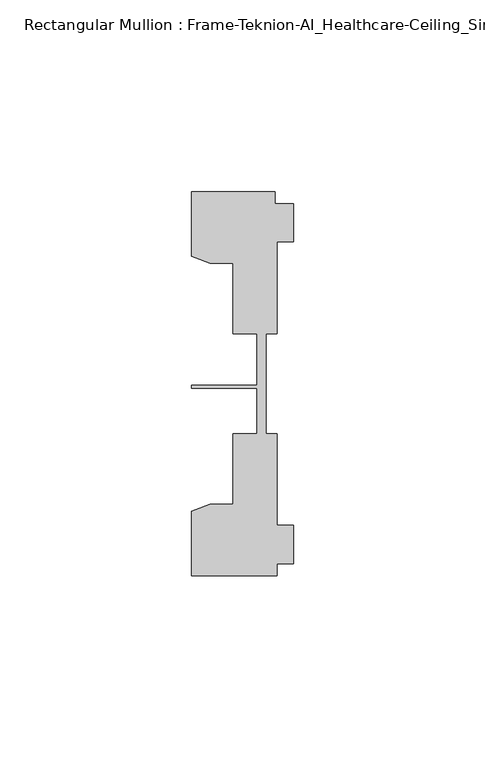
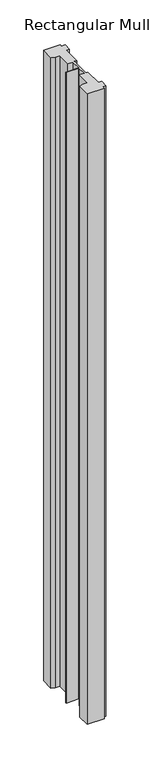
"""IFC4 building model written with IfcOpenShell, lengths in millimetres: member geometry, Rectangular Mullion : Frame-Teknion-AI_Healthcare-Ceiling_Single_Channel."""

from ifc_helpers import new_model, si_unit, frame, origin, place, context, project, spatial, polyline, outline, extrude, source, transform, mapped, element, save


def rectangular_mullion_frame_teknion_ai_healthcare_ceiling_02ec14e2(model_context):
    return source(origin(), model_context, "Body", "SweptSolid", [
        extrude(outline(polyline([(-26.4921999, 34.0201677), (-26.4921999, 50.8315128), (-4.7752002, 50.8315128), (-4.7752002, 47.782071), (0.0, 47.782071), (0.0, 37.7820716), (-4.2672007, 37.7820716), (-4.2672007, 13.9110722), (-7.1647766, 13.9110722), (-7.1647766, 0.0814804), (-7.1647766, -12.2509301), (-4.2672007, -12.2509301), (-4.2672007, -36.1219249), (0.0, -36.1219249), (0.0, -46.1219322), (-4.2672007, -46.1219322), (-4.2672007, -49.1699293), (-26.4921999, -49.1699293), (-26.4921999, -32.3600207), (-21.6625199, -30.6279561), (-15.6737764, -30.6279561), (-15.6737764, -12.2509301), (-9.4507761, -12.2509301), (-9.4507761, -0.4036528), (-26.4921999, -0.4036528), (-26.4921999, 0.4036528), (-9.4507761, 0.4036528), (-9.4507761, 13.9110722), (-15.6737764, 13.9110722), (-15.6737764, 32.2880982), (-21.6625199, 32.2880982), (-26.4921999, 34.0201677)])), frame((0.0, 0.0, -882.0071795), z_axis=(0.0, 0.0, 1.0), x_axis=(1.0, 0.0, 0.0)), (0.0, 0.0, 1.0), 882.0071795),
    ])


if __name__ == "__main__":
    model = new_model("IFC4")
    model_context = context("Model", 3, world=origin())
    ifc_project = project(units=[si_unit("LENGTHUNIT", "METRE", prefix="MILLI")], contexts=[model_context])
    site = spatial("IfcSite", under=ifc_project)
    building = spatial("IfcBuilding", under=site)
    placement = place(None, origin())
    rectangular_mullion_frame_teknion_ai_healthcare_ceiling_shape = rectangular_mullion_frame_teknion_ai_healthcare_ceiling_02ec14e2(model_context)
    element("IfcMember", 1, ObjectType="Rectangular Mullion : Frame-Teknion-AI_Healthcare-Ceiling_Single_Channel", at=placement, inside=building, context=model_context, shape_type="MappedRepresentation", body=[
        mapped(rectangular_mullion_frame_teknion_ai_healthcare_ceiling_shape, transform((0.0, 0.0, 0.0), x_axis=(1.0, 0.0, 0.0), y_axis=(0.0, 1.0, 0.0), z_axis=(0.0, 0.0, 1.0))),
    ])
    save(model, "model.ifc")
